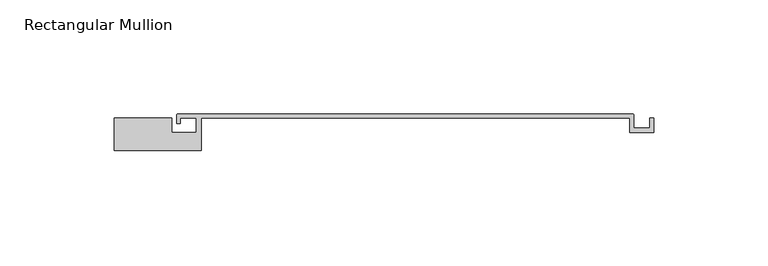
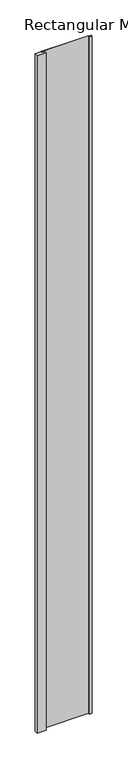
"""IFC4 building model written with IfcOpenShell, lengths in millimetres: member geometry, Rectangular Mullion."""

from ifc_helpers import new_model, si_unit, point, frame, frame_2d, origin, place, context, project, spatial, polyline, circle_curve, trimmed, segment, composite_curve, outline, extrude, source, transform, mapped, element, save


def rectangular_mullion_fe894e19(model_context):
    return source(origin(), model_context, "Body", "SweptSolid", [
        extrude(outline(composite_curve([segment(polyline([(-185.3, 14.2), (-160.1, 14.2), (-160.1, 8.0), (-149.5, 8.0), (-149.5, 14.2), (-156.4, 14.2), (-156.4, 11.8), (-158.0, 11.8), (-158.0, 15.5)]), True, "CONTINUOUS"), segment(trimmed(circle_curve(frame_2d((-157.5, 15.5)), 0.5), [point((-158.0, 15.5))], [point((-157.5, 16.0))], False, "CARTESIAN"), True, "CONTINUOUS"), segment(polyline([(-157.5, 16.0), (41.5, 16.0)]), True, "CONTINUOUS"), segment(trimmed(circle_curve(frame_2d((41.5, 15.5)), 0.5), [point((41.5, 16.0))], [point((42.0, 15.5))], False, "CARTESIAN"), True, "CONTINUOUS"), segment(polyline([(42.0, 15.5), (42.0, 9.8), (49.0, 9.8), (49.0, 14.2), (50.8, 14.2), (50.8, 8.0), (40.2, 8.0), (40.2, 14.2), (-147.3, 14.2), (-147.3, 0.0), (-185.3, 0.0), (-185.3, 14.2)]), True, "CONTINUOUS")], self_intersect=False)), frame((0.0, 0.0, -3000.0), z_axis=(0.0, 0.0, 1.0), x_axis=(1.0, 0.0, 0.0)), (0.0, 0.0, 1.0), 3000.0),
    ])


if __name__ == "__main__":
    model = new_model("IFC4")
    model_context = context("Model", 3, world=origin())
    ifc_project = project(units=[si_unit("LENGTHUNIT", "METRE", prefix="MILLI")], contexts=[model_context])
    site = spatial("IfcSite", under=ifc_project)
    building = spatial("IfcBuilding", under=site)
    placement = place(None, origin())
    rectangular_mullion_shape = rectangular_mullion_fe894e19(model_context)
    element("IfcMember", 1, ObjectType="Rectangular Mullion", at=placement, inside=building, context=model_context, shape_type="MappedRepresentation", body=[
        mapped(rectangular_mullion_shape, transform((0.0, 0.0, 0.0), x_axis=(1.0, 0.0, 0.0), y_axis=(0.0, 1.0, 0.0), z_axis=(0.0, 0.0, 1.0))),
    ])
    save(model, "model.ifc")
